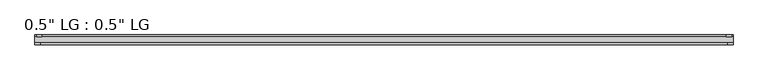
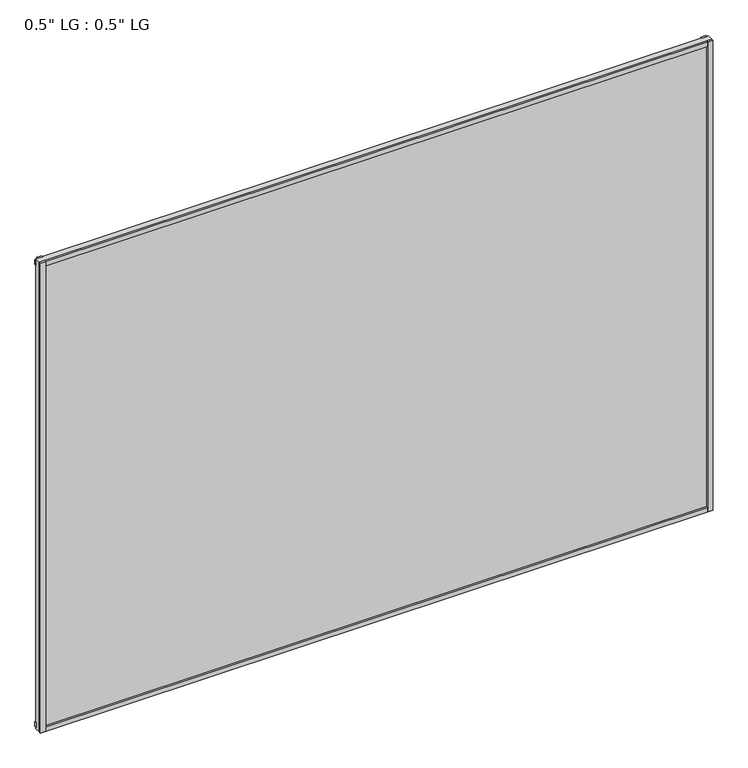
"""IFC4 building model written with IfcOpenShell, lengths in millimetres: plate geometry."""

from ifc_helpers import new_model, si_unit, frame, origin, origin_with_axes, place, context, project, spatial, polyline, outline, extrude, source, transform, mapped, element, save


def plate_17b38d2d(model_context):
    return source(origin(), model_context, "Body", "SweptSolid", [
        extrude(outline(polyline([(800.6029961, -33.3271813), (800.6029961, -38.0007813), (788.4653165, -38.0007813), (788.4653165, -33.3271813), (800.6029961, -33.3271813)])), origin_with_axes(), (0.0, 0.0, 1.0), 1181.7821763),
        extrude(outline(polyline([(797.0716424, -15.5217813), (797.0716424, -19.7127813), (785.0592185, -19.7127813), (785.0592185, -15.5217813), (797.0716424, -15.5217813)])), origin_with_axes(), (0.0, 0.0, 1.0), 1181.7821763),
        extrude(outline(polyline([(-788.3124181, -38.0007812), (-800.6029961, -38.0007812), (-800.6029961, -33.3271813), (-788.3124181, -33.3271813), (-788.3124181, -38.0007812)])), origin_with_axes(), (0.0, 0.0, 1.0), 1181.7821763),
        extrude(outline(polyline([(-784.3531802, -19.7127813), (-796.6437581, -19.7127813), (-796.6437581, -15.5217812), (-784.3531802, -15.5217812), (-784.3531802, -19.7127813)])), origin_with_axes(), (0.0, 0.0, 1.0), 1181.7821763),
        extrude(outline(polyline([(800.6029961, -33.3271813), (800.6029961, -38.0007813), (-800.6029961, -38.0007812), (-800.6029961, -33.3271813), (800.6029961, -33.3271813)])), origin_with_axes(), (0.0, 0.0, 1.0), 11.1693096),
        extrude(outline(polyline([(800.6029961, -15.3590708), (800.6029961, -20.1364307), (-800.6029961, -20.1364307), (-800.6029961, -15.3590708), (800.6029961, -15.3590708)])), frame((0.0, 0.0, 3.848913), z_axis=(0.0, 0.0, 1.0), x_axis=(1.0, 0.0, 0.0)), (0.0, 0.0, 1.0), 11.1693096),
        extrude(outline(polyline([(800.6029961, -33.3271813), (800.6029961, -38.0007813), (-800.6029961, -38.0007812), (-800.6029961, -33.3271813), (800.6029961, -33.3271813)])), frame((0.0, 0.0, 1170.6010704), z_axis=(0.0, 0.0, 1.0), x_axis=(1.0, 0.0, 0.0)), (0.0, 0.0, 1.0), 11.1811058),
        extrude(outline(polyline([(800.6029961, -15.5217813), (800.6029961, -19.7127813), (-800.6029961, -19.7127812), (-800.6029961, -15.5217813), (800.6029961, -15.5217813)])), frame((0.0, 0.0, 1166.0419237), z_axis=(0.0, 0.0, 1.0), x_axis=(1.0, 0.0, 0.0)), (0.0, 0.0, 1.0), 11.1811058),
        extrude(outline(polyline([(800.6029961, -33.3271812), (-800.6029961, -33.3271812), (-800.6029961, -19.7127812), (800.6029961, -19.7127812), (800.6029961, -33.3271812)])), origin_with_axes(), (0.0, 0.0, 1.0), 1181.7821763),
    ])


if __name__ == "__main__":
    model = new_model("IFC4")
    model_context = context("Model", 3, world=origin())
    ifc_project = project(units=[si_unit("LENGTHUNIT", "METRE", prefix="MILLI")], contexts=[model_context])
    site = spatial("IfcSite", under=ifc_project)
    building = spatial("IfcBuilding", under=site)
    placement = place(None, origin())
    plate_shape = plate_17b38d2d(model_context)
    element("IfcPlate", 1, ObjectType="0.5\" LG : 0.5\" LG", at=placement, inside=building, context=model_context, shape_type="MappedRepresentation", body=[
        mapped(plate_shape, transform((0.0, 0.0, 0.0), x_axis=(1.0, 0.0, 0.0), y_axis=(0.0, 1.0, 0.0), z_axis=(0.0, 0.0, 1.0))),
    ])
    save(model, "model.ifc")
